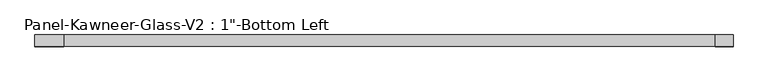
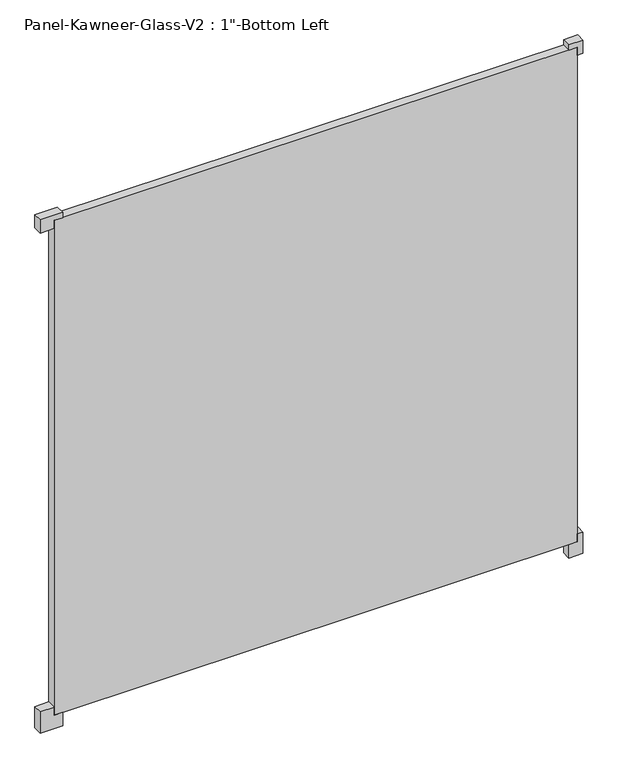
"""IFC4 building model written with IfcOpenShell, lengths in millimetres: plate geometry."""

import ifcopenshell
import ifcopenshell.guid

model = None  # the IFC model being written
_history = None  # IfcOwnerHistory: only IFC2X3 demands one
_inside = {}  # id of a spatial element -> (the spatial element, [elements in it])
_under = {}  # id of a project, library or spatial element -> (it, [spatial elements below it])
_declared = {}  # id of a project -> (the project, [libraries it declares])
_typed = {}  # id of a type object -> (the type object, [elements of that type])
_made_of = {}  # id of a material, layer set ... -> (it, [elements and type objects made of it])


def new_model(schema):
    """Start an empty IFC model of exactly this schema.

    Asked for "IFC4X3", IfcOpenShell would pick the latest addendum, in which some entities
    have other attributes; the version numbers below select the first issue.
    IFC2X3 requires an IfcOwnerHistory on every rooted entity: one is made here for all.
    """
    global model, _history
    if schema == "IFC4X3":
        model = ifcopenshell.file(schema_version=(4, 3, 0, 0))
    else:
        model = ifcopenshell.file(schema=schema)
    _inside.clear()
    _under.clear()
    _declared.clear()
    _typed.clear()
    _made_of.clear()
    _history = None
    if model.schema == "IFC2X3":
        org = make("IfcOrganization", Name="unknown")
        user = make(
            "IfcPersonAndOrganization",
            ThePerson=make("IfcPerson", FamilyName="unknown"),
            TheOrganization=org,
        )
        app = make(
            "IfcApplication",
            ApplicationDeveloper=org,
            Version="unknown",
            ApplicationFullName="unknown",
            ApplicationIdentifier="unknown",
        )
        _history = make(
            "IfcOwnerHistory",
            OwningUser=user,
            OwningApplication=app,
            ChangeAction="ADDED",
            CreationDate=0,
        )
    return model


def make(cls, **values):
    """One entity of the class cls with the attributes given. An attribute that is None is left unset."""
    return model.create_entity(
        cls, **{name: value for name, value in values.items() if value is not None}
    )


def rooted(cls, **values):
    """An entity with a GlobalId (a new one), such as an element, a storey or a relation."""
    return make(cls, GlobalId=ifcopenshell.guid.new(), OwnerHistory=_history, **values)


def si_unit(unit_type, name, prefix=None):
    """IfcSIUnit, for example si_unit("LENGTHUNIT", "METRE", prefix="MILLI")."""
    return make("IfcSIUnit", UnitType=unit_type, Prefix=prefix, Name=name)


def assignment(units):
    """IfcUnitAssignment: the units of a project."""
    return None if units is None else make("IfcUnitAssignment", Units=units)


def point(xyz):
    """IfcCartesianPoint."""
    return None if xyz is None else make("IfcCartesianPoint", Coordinates=xyz)


def direction(xyz):
    """IfcDirection."""
    return None if xyz is None else make("IfcDirection", DirectionRatios=xyz)


def frame(location, z_axis=None, x_axis=None):
    """IfcAxis2Placement3D, a coordinate frame: its origin and axes. An axis left out is left unset."""
    return make(
        "IfcAxis2Placement3D",
        Location=point(location),
        Axis=direction(z_axis),
        RefDirection=direction(x_axis),
    )


def origin():
    """The frame at (0, 0, 0) with its axes left unset."""
    return frame((0.0, 0.0, 0.0))


def origin_with_axes():
    """The frame at (0, 0, 0) with the z axis (0, 0, 1) and the x axis (1, 0, 0) written out."""
    return frame((0.0, 0.0, 0.0), z_axis=(0.0, 0.0, 1.0), x_axis=(1.0, 0.0, 0.0))


def place(relative_to, where):
    """IfcLocalPlacement: puts the frame where relative to a parent placement (None: the world)."""
    return make(
        "IfcLocalPlacement", PlacementRelTo=relative_to, RelativePlacement=where
    )


def context(
    kind, dimensions, precision=None, world=None, true_north=None, identifier=None
):
    """IfcGeometricRepresentationContext, for example the 3D "Model" context."""
    return make(
        "IfcGeometricRepresentationContext",
        ContextIdentifier=identifier,
        ContextType=kind,
        CoordinateSpaceDimension=dimensions,
        Precision=precision,
        WorldCoordinateSystem=world,
        TrueNorth=true_north,
    )


def project(units=None, contexts=None):
    """IfcProject with its units and contexts."""
    return rooted(
        "IfcProject",
        Name="project",
        RepresentationContexts=contexts,
        UnitsInContext=assignment(units),
    )


def spatial(cls, under=None, at=None, **own):
    """A site, building, storey or space (cls), placed at a placement, below another one or the project."""
    s = rooted(cls, ObjectPlacement=at, **own)
    if under is not None:
        _under.setdefault(under.id(), (under, []))[1].append(s)
    return s


def polyline(points):
    """IfcPolyline through the points."""
    return make("IfcPolyline", Points=[point(p) for p in points])


def outline(outer, holes=None, kind="AREA"):
    """IfcArbitraryClosedProfileDef: a profile drawn as a closed curve; with holes, ...WithVoids."""
    if holes is None:
        return make("IfcArbitraryClosedProfileDef", ProfileType=kind, OuterCurve=outer)
    return make(
        "IfcArbitraryProfileDefWithVoids",
        ProfileType=kind,
        OuterCurve=outer,
        InnerCurves=holes,
    )


def extrude(swept, where, along, depth):
    """IfcExtrudedAreaSolid: the profile swept, set in the frame where, extruded along a direction by depth."""
    return make(
        "IfcExtrudedAreaSolid",
        SweptArea=swept,
        Position=where,
        ExtrudedDirection=direction(along),
        Depth=depth,
    )


def shape(context_of_items, identifier, shape_type, items):
    """IfcShapeRepresentation: the items that make up one representation, for example the "Body"."""
    return make(
        "IfcShapeRepresentation",
        ContextOfItems=context_of_items,
        RepresentationIdentifier=identifier,
        RepresentationType=shape_type,
        Items=items,
    )


def source(mapping_origin, context_of_items, identifier, shape_type, items):
    """IfcRepresentationMap: a shape defined once, which mapped items show again and again."""
    return make(
        "IfcRepresentationMap",
        MappingOrigin=mapping_origin,
        MappedRepresentation=shape(context_of_items, identifier, shape_type, items),
    )


def transform(
    local_origin,
    x_axis=None,
    y_axis=None,
    z_axis=None,
    scale=None,
    scale2=None,
    scale3=None,
    uniform=True,
):
    """IfcCartesianTransformationOperator3D, or its non-uniform kind. x_axis, y_axis, z_axis: its Axis1, 2, 3."""
    if uniform:
        return make(
            "IfcCartesianTransformationOperator3D",
            Axis1=direction(x_axis),
            Axis2=direction(y_axis),
            LocalOrigin=point(local_origin),
            Scale=scale,
            Axis3=direction(z_axis),
        )
    return make(
        "IfcCartesianTransformationOperator3DnonUniform",
        Axis1=direction(x_axis),
        Axis2=direction(y_axis),
        LocalOrigin=point(local_origin),
        Scale=scale,
        Axis3=direction(z_axis),
        Scale2=scale2,
        Scale3=scale3,
    )


def mapped(mapping_source, mapping_target):
    """IfcMappedItem: shows the shape of a source again, moved by a transform."""
    return make(
        "IfcMappedItem", MappingSource=mapping_source, MappingTarget=mapping_target
    )


def made_of(thing, what):
    """Note that an element or type object is made of a material, layer set ...; save() writes the relation."""
    if what is not None:
        _made_of.setdefault(what.id(), (what, []))[1].append(thing)
    return thing


def element(
    cls,
    number,
    at=None,
    inside=None,
    cuts=None,
    type_object=None,
    material=None,
    context=None,
    identifier="Body",
    shape_type=None,
    held_by="IfcProductDefinitionShape",
    body=None,
    shapes=None,
    **own,
):
    """One element of the class cls, such as IfcWall. Its Tag is "e" and its number.

    at: its placement. inside: the storey or other place that contains it. cuts: it is an
    opening in that element (IfcRelVoidsElement). A single representation is given by context,
    identifier, shape_type and body (its items); several are given by shapes. held_by: the class
    of the entity that holds the representations. save() writes the other relations.
    """
    e = rooted(cls, Tag="e%d" % number, ObjectPlacement=at, **own)
    if body is not None:
        shapes = [shape(context, identifier, shape_type, body)]
    if shapes is not None:
        e.Representation = make(held_by, Representations=shapes)
    if inside is not None:
        _inside.setdefault(inside.id(), (inside, []))[1].append(e)
    if cuts is not None:
        rooted(
            "IfcRelVoidsElement", RelatingBuildingElement=cuts, RelatedOpeningElement=e
        )
    if type_object is not None:
        _typed.setdefault(type_object.id(), (type_object, []))[1].append(e)
    return made_of(e, material)


def aggregate(whole, parts):
    """IfcRelAggregates: a whole, such as a stair, and the parts it consists of."""
    return rooted("IfcRelAggregates", RelatingObject=whole, RelatedObjects=parts)


def save(model, path):
    """Write the relations noted so far, then the file.

    IfcRelAggregates (storeys below a building ...), IfcRelContainedInSpatialStructure (elements
    in a storey), IfcRelDefinesByType, IfcRelAssociatesMaterial and IfcRelDeclares: one each for
    every whole, place, type object, material and project.
    """
    for whole, parts in _under.values():
        aggregate(whole, parts)
    for where, things in _inside.values():
        rooted(
            "IfcRelContainedInSpatialStructure",
            RelatedElements=things,
            RelatingStructure=where,
        )
    for kind, things in _typed.values():
        rooted("IfcRelDefinesByType", RelatedObjects=things, RelatingType=kind)
    for what, things in _made_of.values():
        rooted("IfcRelAssociatesMaterial", RelatedObjects=things, RelatingMaterial=what)
    for by, libraries in _declared.values():
        rooted("IfcRelDeclares", RelatingContext=by, RelatedDefinitions=libraries)
    model.write(path)


def plate_8f40379f(model_context):
    return source(origin(), model_context, "Body", "SweptSolid", [
        extrude(outline(polyline([(-39.6875, 714.375), (-39.6875, 754.0625), (23.8125, 754.0625), (23.8125, 738.1875), (0.0, 738.1875), (0.0, 714.375), (-39.6875, 714.375)])), frame((0.0, -12.7327949, 0.0), z_axis=(0.0, 1.0, 0.0), x_axis=(0.0, 0.0, 1.0)), (0.0, 0.0, 1.0), 25.4),
        extrude(outline(polyline([(-39.6875, -714.375), (0.0, -714.375), (0.0, -738.1875), (23.8125, -738.1875), (23.8125, -777.875), (-39.6875, -777.875), (-39.6875, -714.375)])), frame((0.0, -12.7327949, 0.0), z_axis=(0.0, 1.0, 0.0), x_axis=(0.0, 0.0, 1.0)), (0.0, 0.0, 1.0), 25.4),
        extrude(outline(polyline([(1492.25, 714.375), (1476.375, 714.375), (1476.375, 738.1875), (1452.5625, 738.1875), (1452.5625, 754.0625), (1492.25, 754.0625), (1492.25, 714.375)])), frame((0.0, -12.7327949, 0.0), z_axis=(0.0, 1.0, 0.0), x_axis=(0.0, 0.0, 1.0)), (0.0, 0.0, 1.0), 25.4),
        extrude(outline(polyline([(1492.25, -714.375), (1492.25, -777.875), (1452.5625, -777.875), (1452.5625, -738.1875), (1476.375, -738.1875), (1476.375, -714.375), (1492.25, -714.375)])), frame((0.0, -12.7327949, 0.0), z_axis=(0.0, 1.0, 0.0), x_axis=(0.0, 0.0, 1.0)), (0.0, 0.0, 1.0), 25.4),
        extrude(outline(polyline([(738.1875, 12.6672051), (738.1875, -12.7327949), (-738.1875, -12.7327949), (-738.1875, 12.6672051), (738.1875, 12.6672051)])), origin_with_axes(), (0.0, 0.0, 1.0), 1476.375),
    ])


if __name__ == "__main__":
    model = new_model("IFC4")
    model_context = context("Model", 3, world=origin())
    ifc_project = project(units=[si_unit("LENGTHUNIT", "METRE", prefix="MILLI")], contexts=[model_context])
    site = spatial("IfcSite", under=ifc_project)
    building = spatial("IfcBuilding", under=site)
    placement = place(None, origin())
    plate_shape = plate_8f40379f(model_context)
    element("IfcPlate", 1, ObjectType="Panel-Kawneer-Glass-V2 : 1\"-Bottom Left", at=placement, inside=building, context=model_context, shape_type="MappedRepresentation", body=[
        mapped(plate_shape, transform((0.0, 0.0, 0.0), x_axis=(1.0, 0.0, 0.0), y_axis=(0.0, 1.0, 0.0), z_axis=(0.0, 0.0, 1.0))),
    ])
    save(model, "model.ifc")
